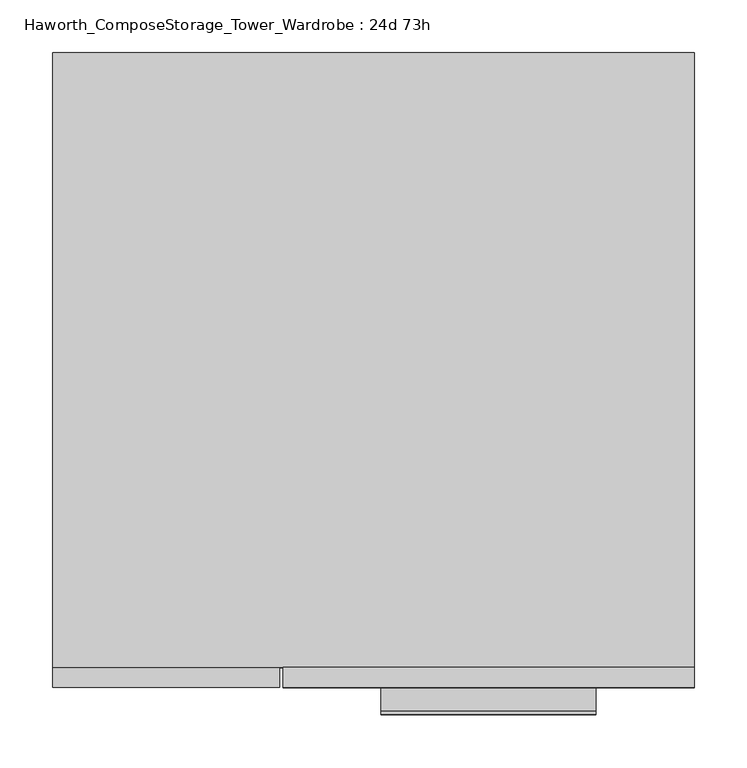
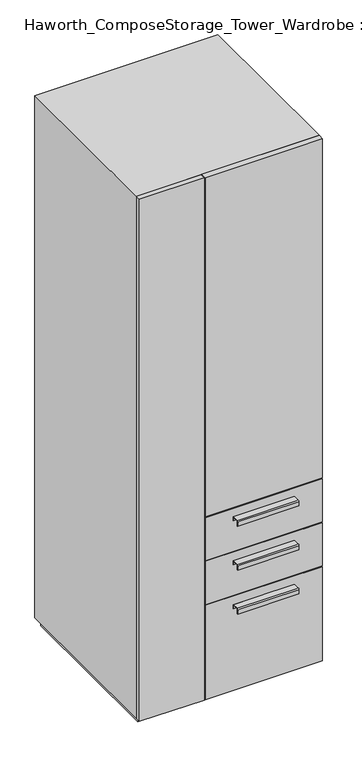
"""IFC4 building model written with IfcOpenShell, lengths in millimetres: furniture geometry, Haworth_ComposeStorage_Tower_Wardrobe : 24d 73h."""

from ifc_helpers import new_model, si_unit, point, frame, frame_2d, origin, origin_with_axes, place, context, project, spatial, polyline, circle_curve, trimmed, segment, composite_curve, outline, extrude, faceted_brep, source, transform, mapped, element, save


def haworth_composestorage_tower_wardrobe_24d_73h_d4cadfe9(model_context):
    return source(origin(), model_context, "Body", "SolidModel", [
        extrude(outline(composite_curve([segment(polyline([(-331.7875242, 633.9919215), (-309.5625, 633.9919215), (-309.5625, 620.5299525), (-310.3562742, 620.5299525), (-310.3562742, 633.1982199), (-331.7875242, 633.1982199)]), True, "CONTINUOUS"), segment(trimmed(circle_curve(frame_2d((-331.7875242, 630.8142808)), 2.3839392), [point((-331.7875242, 633.1982199))], [point((-334.1714634, 630.8142808))], True, "CARTESIAN"), True, "CONTINUOUS"), segment(polyline([(-334.1714634, 630.8142808), (-334.1714634, 616.2119021), (-334.9624758, 616.2119021), (-334.9624758, 630.8169699)]), True, "CONTINUOUS"), segment(trimmed(circle_curve(frame_2d((-331.7875242, 630.8169699)), 3.1749516), [point((-334.9624758, 630.8169699))], [point((-331.7875242, 633.9919215))], False, "CARTESIAN"), True, "CONTINUOUS")], self_intersect=False)), frame((7.1576406, 0.0, 0.0), z_axis=(1.0, 0.0, 0.0), x_axis=(0.0, 1.0, 0.0)), (0.0, 0.0, 1.0), 203.2),
        extrude(outline(polyline([(303.2263906, -290.5125), (303.2263906, -309.5625), (-85.7111094, -309.5625), (-85.7111094, -290.5125), (303.2263906, -290.5125)])), frame((0.0, 0.0, 512.7625), z_axis=(0.0, 0.0, 1.0), x_axis=(1.0, 0.0, 0.0)), (0.0, 0.0, 1.0), 150.8125),
        extrude(outline(composite_curve([segment(polyline([(-331.7875242, 480.0044215), (-309.5625, 480.0044215), (-309.5625, 466.5424525), (-310.3562742, 466.5424525), (-310.3562742, 479.2107199), (-331.7875242, 479.2107199)]), True, "CONTINUOUS"), segment(trimmed(circle_curve(frame_2d((-331.7875242, 476.8267808)), 2.3839392), [point((-331.7875242, 479.2107199))], [point((-334.1714634, 476.8267808))], True, "CARTESIAN"), True, "CONTINUOUS"), segment(polyline([(-334.1714634, 476.8267808), (-334.1714634, 462.2244021), (-334.9624758, 462.2244021), (-334.9624758, 476.8294699)]), True, "CONTINUOUS"), segment(trimmed(circle_curve(frame_2d((-331.7875242, 476.8294699)), 3.1749516), [point((-334.9624758, 476.8294699))], [point((-331.7875242, 480.0044215))], False, "CARTESIAN"), True, "CONTINUOUS")], self_intersect=False)), frame((7.1576406, 0.0, 0.0), z_axis=(1.0, 0.0, 0.0), x_axis=(0.0, 1.0, 0.0)), (0.0, 0.0, 1.0), 203.2),
        extrude(outline(polyline([(303.2263906, -290.5125), (303.2263906, -309.5625), (-85.7111094, -309.5625), (-85.7111094, -290.5125), (303.2263906, -290.5125)])), frame((0.0, 0.0, 358.775), z_axis=(0.0, 0.0, 1.0), x_axis=(1.0, 0.0, 0.0)), (0.0, 0.0, 1.0), 150.8125),
        extrude(outline(composite_curve([segment(polyline([(-331.7875242, 326.0169215), (-309.5625, 326.0169215), (-309.5625, 312.5549525), (-310.3562742, 312.5549525), (-310.3562742, 325.2232199), (-331.7875242, 325.2232199)]), True, "CONTINUOUS"), segment(trimmed(circle_curve(frame_2d((-331.7875242, 322.8392808)), 2.3839392), [point((-331.7875242, 325.2232199))], [point((-334.1714634, 322.8392808))], True, "CARTESIAN"), True, "CONTINUOUS"), segment(polyline([(-334.1714634, 322.8392808), (-334.1714634, 308.2369021), (-334.9624758, 308.2369021), (-334.9624758, 322.8419699)]), True, "CONTINUOUS"), segment(trimmed(circle_curve(frame_2d((-331.7875242, 322.8419699)), 3.1749516), [point((-334.9624758, 322.8419699))], [point((-331.7875242, 326.0169215))], False, "CARTESIAN"), True, "CONTINUOUS")], self_intersect=False)), frame((7.1576406, 0.0, 0.0), z_axis=(1.0, 0.0, 0.0), x_axis=(0.0, 1.0, 0.0)), (0.0, 0.0, 1.0), 203.2),
        extrude(outline(polyline([(303.2263906, -290.5125), (303.2263906, -309.5625), (-85.7111094, -309.5625), (-85.7111094, -290.5125), (303.2263906, -290.5125)])), frame((0.0, 0.0, 25.4), z_axis=(0.0, 0.0, 1.0), x_axis=(1.0, 0.0, 0.0)), (0.0, 0.0, 1.0), 330.2),
        extrude(outline(polyline([(303.2263906, -290.5125), (303.2263906, -309.5625), (-85.7111094, -309.5625), (-85.7111094, -290.5125), (303.2263906, -290.5125)])), frame((0.0, 0.0, 666.75), z_axis=(0.0, 0.0, 1.0), x_axis=(1.0, 0.0, 0.0)), (0.0, 0.0, 1.0), 1187.45),
        faceted_brep([(-303.1986094, -290.5125, 25.4), (303.2263906, -290.5125, 25.4), (303.2263906, -290.5125, 1854.2), (-303.1986094, -290.5125, 1854.2), (-284.1486094, -290.5125, 44.45), (-284.1486094, -290.5125, 1835.15), (284.1694453, -290.5125, 1835.15), (284.1694453, -290.5125, 44.45), (-303.1986094, 290.5125, 25.4), (-303.1986094, 290.5125, 1854.2), (303.2263906, 290.5125, 1854.2), (303.2263906, 290.5125, 25.4), (-284.1486094, 271.4625, 44.45), (-284.1486094, 271.4625, 1835.15), (284.1694453, 271.4625, 1835.15), (284.1694453, 271.4625, 44.45)], [[[0, 1, 2, 3], [4, 5, 6, 7]], [[8, 9, 10, 11]], [[1, 0, 8, 11]], [[2, 1, 11, 10]], [[3, 2, 10, 9]], [[0, 3, 9, 8]], [[5, 4, 12, 13]], [[6, 5, 13, 14]], [[7, 6, 14, 15]], [[4, 7, 15, 12]], [[13, 12, 15, 14]]]),
        extrude(outline(polyline([(290.5263906, -277.8125), (-290.4986094, -277.8125), (-290.4986094, 277.8125), (290.5263906, 277.8125), (290.5263906, -277.8125)])), origin_with_axes(), (0.0, 0.0, 1.0), 25.4),
        extrude(outline(polyline([(-303.1986094, -309.5625), (-303.1986094, -290.5125), (-88.8861094, -290.5125), (-88.8861094, -309.5625), (-303.1986094, -309.5625)])), frame((0.0, 0.0, 25.4), z_axis=(0.0, 0.0, 1.0), x_axis=(1.0, 0.0, 0.0)), (0.0, 0.0, 1.0), 1828.8),
    ])


if __name__ == "__main__":
    model = new_model("IFC4")
    model_context = context("Model", 3, world=origin())
    ifc_project = project(units=[si_unit("LENGTHUNIT", "METRE", prefix="MILLI")], contexts=[model_context])
    site = spatial("IfcSite", under=ifc_project)
    building = spatial("IfcBuilding", under=site)
    placement = place(None, origin())
    haworth_composestorage_tower_wardrobe_24d_73h_shape = haworth_composestorage_tower_wardrobe_24d_73h_d4cadfe9(model_context)
    element("IfcFurniture", 1, ObjectType="Haworth_ComposeStorage_Tower_Wardrobe : 24d 73h", at=placement, inside=building, context=model_context, shape_type="MappedRepresentation", body=[
        mapped(haworth_composestorage_tower_wardrobe_24d_73h_shape, transform((0.0, 0.0, 0.0), x_axis=(1.0, 0.0, 0.0), y_axis=(0.0, 1.0, 0.0), z_axis=(0.0, 0.0, 1.0))),
    ])
    save(model, "model.ifc")
